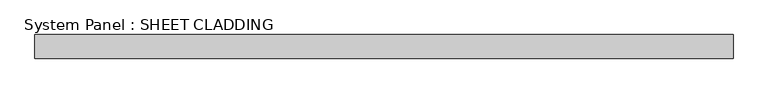
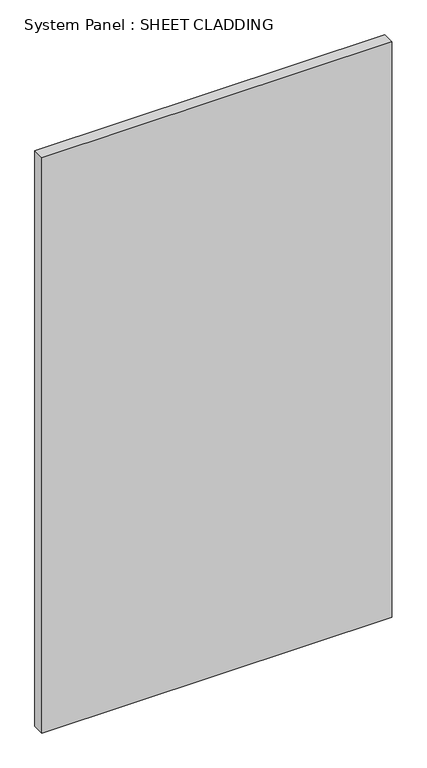
"""IFC4 building model written with IfcOpenShell, lengths in millimetres: plate geometry, System Panel : SHEET CLADDING."""

import ifcopenshell
import ifcopenshell.guid

model = None  # the IFC model being written
_history = None  # IfcOwnerHistory: only IFC2X3 demands one
_inside = {}  # id of a spatial element -> (the spatial element, [elements in it])
_under = {}  # id of a project, library or spatial element -> (it, [spatial elements below it])
_declared = {}  # id of a project -> (the project, [libraries it declares])
_typed = {}  # id of a type object -> (the type object, [elements of that type])
_made_of = {}  # id of a material, layer set ... -> (it, [elements and type objects made of it])


def new_model(schema):
    """Start an empty IFC model of exactly this schema.

    Asked for "IFC4X3", IfcOpenShell would pick the latest addendum, in which some entities
    have other attributes; the version numbers below select the first issue.
    IFC2X3 requires an IfcOwnerHistory on every rooted entity: one is made here for all.
    """
    global model, _history
    if schema == "IFC4X3":
        model = ifcopenshell.file(schema_version=(4, 3, 0, 0))
    else:
        model = ifcopenshell.file(schema=schema)
    _inside.clear()
    _under.clear()
    _declared.clear()
    _typed.clear()
    _made_of.clear()
    _history = None
    if model.schema == "IFC2X3":
        org = make("IfcOrganization", Name="unknown")
        user = make(
            "IfcPersonAndOrganization",
            ThePerson=make("IfcPerson", FamilyName="unknown"),
            TheOrganization=org,
        )
        app = make(
            "IfcApplication",
            ApplicationDeveloper=org,
            Version="unknown",
            ApplicationFullName="unknown",
            ApplicationIdentifier="unknown",
        )
        _history = make(
            "IfcOwnerHistory",
            OwningUser=user,
            OwningApplication=app,
            ChangeAction="ADDED",
            CreationDate=0,
        )
    return model


def make(cls, **values):
    """One entity of the class cls with the attributes given. An attribute that is None is left unset."""
    return model.create_entity(
        cls, **{name: value for name, value in values.items() if value is not None}
    )


def rooted(cls, **values):
    """An entity with a GlobalId (a new one), such as an element, a storey or a relation."""
    return make(cls, GlobalId=ifcopenshell.guid.new(), OwnerHistory=_history, **values)


def si_unit(unit_type, name, prefix=None):
    """IfcSIUnit, for example si_unit("LENGTHUNIT", "METRE", prefix="MILLI")."""
    return make("IfcSIUnit", UnitType=unit_type, Prefix=prefix, Name=name)


def assignment(units):
    """IfcUnitAssignment: the units of a project."""
    return None if units is None else make("IfcUnitAssignment", Units=units)


def point(xyz):
    """IfcCartesianPoint."""
    return None if xyz is None else make("IfcCartesianPoint", Coordinates=xyz)


def direction(xyz):
    """IfcDirection."""
    return None if xyz is None else make("IfcDirection", DirectionRatios=xyz)


def frame(location, z_axis=None, x_axis=None):
    """IfcAxis2Placement3D, a coordinate frame: its origin and axes. An axis left out is left unset."""
    return make(
        "IfcAxis2Placement3D",
        Location=point(location),
        Axis=direction(z_axis),
        RefDirection=direction(x_axis),
    )


def origin():
    """The frame at (0, 0, 0) with its axes left unset."""
    return frame((0.0, 0.0, 0.0))


def origin_with_axes():
    """The frame at (0, 0, 0) with the z axis (0, 0, 1) and the x axis (1, 0, 0) written out."""
    return frame((0.0, 0.0, 0.0), z_axis=(0.0, 0.0, 1.0), x_axis=(1.0, 0.0, 0.0))


def place(relative_to, where):
    """IfcLocalPlacement: puts the frame where relative to a parent placement (None: the world)."""
    return make(
        "IfcLocalPlacement", PlacementRelTo=relative_to, RelativePlacement=where
    )


def context(
    kind, dimensions, precision=None, world=None, true_north=None, identifier=None
):
    """IfcGeometricRepresentationContext, for example the 3D "Model" context."""
    return make(
        "IfcGeometricRepresentationContext",
        ContextIdentifier=identifier,
        ContextType=kind,
        CoordinateSpaceDimension=dimensions,
        Precision=precision,
        WorldCoordinateSystem=world,
        TrueNorth=true_north,
    )


def project(units=None, contexts=None):
    """IfcProject with its units and contexts."""
    return rooted(
        "IfcProject",
        Name="project",
        RepresentationContexts=contexts,
        UnitsInContext=assignment(units),
    )


def spatial(cls, under=None, at=None, **own):
    """A site, building, storey or space (cls), placed at a placement, below another one or the project."""
    s = rooted(cls, ObjectPlacement=at, **own)
    if under is not None:
        _under.setdefault(under.id(), (under, []))[1].append(s)
    return s


def polyline(points):
    """IfcPolyline through the points."""
    return make("IfcPolyline", Points=[point(p) for p in points])


def outline(outer, holes=None, kind="AREA"):
    """IfcArbitraryClosedProfileDef: a profile drawn as a closed curve; with holes, ...WithVoids."""
    if holes is None:
        return make("IfcArbitraryClosedProfileDef", ProfileType=kind, OuterCurve=outer)
    return make(
        "IfcArbitraryProfileDefWithVoids",
        ProfileType=kind,
        OuterCurve=outer,
        InnerCurves=holes,
    )


def extrude(swept, where, along, depth):
    """IfcExtrudedAreaSolid: the profile swept, set in the frame where, extruded along a direction by depth."""
    return make(
        "IfcExtrudedAreaSolid",
        SweptArea=swept,
        Position=where,
        ExtrudedDirection=direction(along),
        Depth=depth,
    )


def shape(context_of_items, identifier, shape_type, items):
    """IfcShapeRepresentation: the items that make up one representation, for example the "Body"."""
    return make(
        "IfcShapeRepresentation",
        ContextOfItems=context_of_items,
        RepresentationIdentifier=identifier,
        RepresentationType=shape_type,
        Items=items,
    )


def source(mapping_origin, context_of_items, identifier, shape_type, items):
    """IfcRepresentationMap: a shape defined once, which mapped items show again and again."""
    return make(
        "IfcRepresentationMap",
        MappingOrigin=mapping_origin,
        MappedRepresentation=shape(context_of_items, identifier, shape_type, items),
    )


def transform(
    local_origin,
    x_axis=None,
    y_axis=None,
    z_axis=None,
    scale=None,
    scale2=None,
    scale3=None,
    uniform=True,
):
    """IfcCartesianTransformationOperator3D, or its non-uniform kind. x_axis, y_axis, z_axis: its Axis1, 2, 3."""
    if uniform:
        return make(
            "IfcCartesianTransformationOperator3D",
            Axis1=direction(x_axis),
            Axis2=direction(y_axis),
            LocalOrigin=point(local_origin),
            Scale=scale,
            Axis3=direction(z_axis),
        )
    return make(
        "IfcCartesianTransformationOperator3DnonUniform",
        Axis1=direction(x_axis),
        Axis2=direction(y_axis),
        LocalOrigin=point(local_origin),
        Scale=scale,
        Axis3=direction(z_axis),
        Scale2=scale2,
        Scale3=scale3,
    )


def mapped(mapping_source, mapping_target):
    """IfcMappedItem: shows the shape of a source again, moved by a transform."""
    return make(
        "IfcMappedItem", MappingSource=mapping_source, MappingTarget=mapping_target
    )


def made_of(thing, what):
    """Note that an element or type object is made of a material, layer set ...; save() writes the relation."""
    if what is not None:
        _made_of.setdefault(what.id(), (what, []))[1].append(thing)
    return thing


def element(
    cls,
    number,
    at=None,
    inside=None,
    cuts=None,
    type_object=None,
    material=None,
    context=None,
    identifier="Body",
    shape_type=None,
    held_by="IfcProductDefinitionShape",
    body=None,
    shapes=None,
    **own,
):
    """One element of the class cls, such as IfcWall. Its Tag is "e" and its number.

    at: its placement. inside: the storey or other place that contains it. cuts: it is an
    opening in that element (IfcRelVoidsElement). A single representation is given by context,
    identifier, shape_type and body (its items); several are given by shapes. held_by: the class
    of the entity that holds the representations. save() writes the other relations.
    """
    e = rooted(cls, Tag="e%d" % number, ObjectPlacement=at, **own)
    if body is not None:
        shapes = [shape(context, identifier, shape_type, body)]
    if shapes is not None:
        e.Representation = make(held_by, Representations=shapes)
    if inside is not None:
        _inside.setdefault(inside.id(), (inside, []))[1].append(e)
    if cuts is not None:
        rooted(
            "IfcRelVoidsElement", RelatingBuildingElement=cuts, RelatedOpeningElement=e
        )
    if type_object is not None:
        _typed.setdefault(type_object.id(), (type_object, []))[1].append(e)
    return made_of(e, material)


def aggregate(whole, parts):
    """IfcRelAggregates: a whole, such as a stair, and the parts it consists of."""
    return rooted("IfcRelAggregates", RelatingObject=whole, RelatedObjects=parts)


def save(model, path):
    """Write the relations noted so far, then the file.

    IfcRelAggregates (storeys below a building ...), IfcRelContainedInSpatialStructure (elements
    in a storey), IfcRelDefinesByType, IfcRelAssociatesMaterial and IfcRelDeclares: one each for
    every whole, place, type object, material and project.
    """
    for whole, parts in _under.values():
        aggregate(whole, parts)
    for where, things in _inside.values():
        rooted(
            "IfcRelContainedInSpatialStructure",
            RelatedElements=things,
            RelatingStructure=where,
        )
    for kind, things in _typed.values():
        rooted("IfcRelDefinesByType", RelatedObjects=things, RelatingType=kind)
    for what, things in _made_of.values():
        rooted("IfcRelAssociatesMaterial", RelatedObjects=things, RelatingMaterial=what)
    for by, libraries in _declared.values():
        rooted("IfcRelDeclares", RelatingContext=by, RelatedDefinitions=libraries)
    model.write(path)


def system_panel_sheet_cladding_88b6bdaf(model_context):
    return source(origin(), model_context, "Body", "SweptSolid", [
        extrude(outline(polyline([(871.7083333, -10.5), (-871.7083333, -10.5), (-871.7083333, 49.5), (871.7083333, 49.5), (871.7083333, -10.5)])), origin_with_axes(), (0.0, 0.0, 1.0), 3031.35),
    ])


if __name__ == "__main__":
    model = new_model("IFC4")
    model_context = context("Model", 3, world=origin())
    ifc_project = project(units=[si_unit("LENGTHUNIT", "METRE", prefix="MILLI")], contexts=[model_context])
    site = spatial("IfcSite", under=ifc_project)
    building = spatial("IfcBuilding", under=site)
    placement = place(None, origin())
    system_panel_sheet_cladding_shape = system_panel_sheet_cladding_88b6bdaf(model_context)
    element("IfcPlate", 1, ObjectType="System Panel : SHEET CLADDING", at=placement, inside=building, context=model_context, shape_type="MappedRepresentation", body=[
        mapped(system_panel_sheet_cladding_shape, transform((0.0, 0.0, 0.0), x_axis=(1.0, 0.0, 0.0), y_axis=(0.0, 1.0, 0.0), z_axis=(0.0, 0.0, 1.0))),
    ])
    save(model, "model.ifc")
